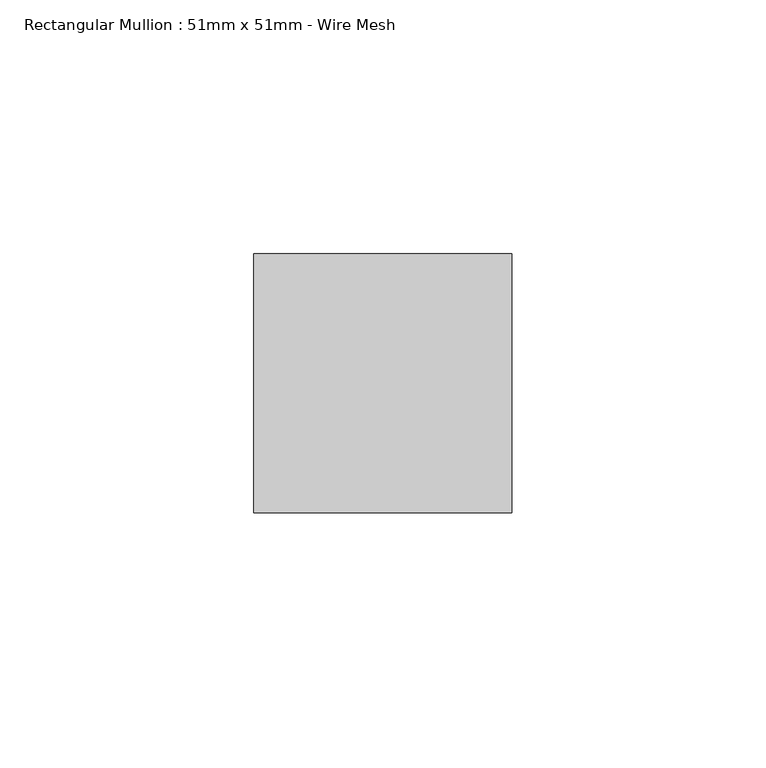
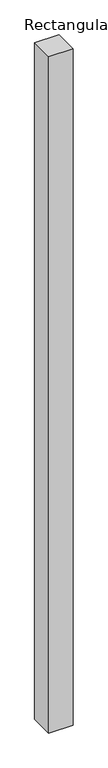
"""IFC4 building model written with IfcOpenShell, lengths in millimetres: member geometry, Rectangular Mullion : 51mm x 51mm - Wire Mesh."""

from ifc_helpers import new_model, si_unit, frame, origin, place, context, project, spatial, polyline, outline, extrude, source, transform, mapped, element, save


def rectangular_mullion_51mm_x_51mm_wire_mesh_c18c90df(model_context):
    return source(origin(), model_context, "Body", "SweptSolid", [
        extrude(outline(polyline([(25.4, 25.5), (25.4, -25.5), (-25.4, -25.5), (-25.4, 25.5), (25.4, 25.5)])), frame((0.0, 0.0, -1500.0), z_axis=(0.0, 0.0, 1.0), x_axis=(1.0, 0.0, 0.0)), (0.0, 0.0, 1.0), 1500.0),
    ])


if __name__ == "__main__":
    model = new_model("IFC4")
    model_context = context("Model", 3, world=origin())
    ifc_project = project(units=[si_unit("LENGTHUNIT", "METRE", prefix="MILLI")], contexts=[model_context])
    site = spatial("IfcSite", under=ifc_project)
    building = spatial("IfcBuilding", under=site)
    placement = place(None, origin())
    rectangular_mullion_51mm_x_51mm_wire_mesh_shape = rectangular_mullion_51mm_x_51mm_wire_mesh_c18c90df(model_context)
    element("IfcMember", 1, ObjectType="Rectangular Mullion : 51mm x 51mm - Wire Mesh", at=placement, inside=building, context=model_context, shape_type="MappedRepresentation", body=[
        mapped(rectangular_mullion_51mm_x_51mm_wire_mesh_shape, transform((0.0, 0.0, 0.0), x_axis=(1.0, 0.0, 0.0), y_axis=(0.0, 1.0, 0.0), z_axis=(0.0, 0.0, 1.0))),
    ])
    save(model, "model.ifc")
